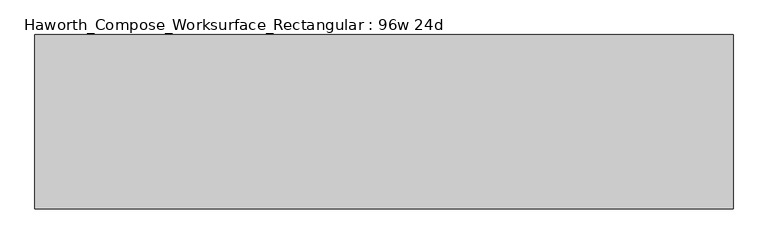
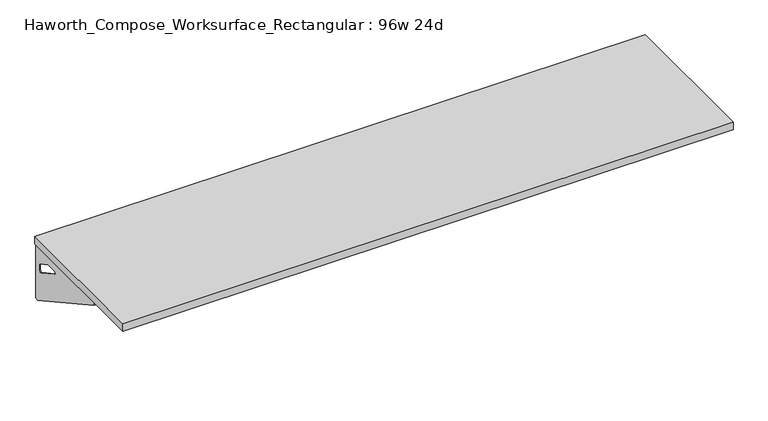
"""IFC4 building model written with IfcOpenShell, lengths in millimetres: furniture geometry, Haworth_Compose_Worksurface_Rectangular : 96w 24d."""

from ifc_helpers import new_model, si_unit, frame, origin, place, context, project, spatial, polyline, circle_curve, outline, extrude, source, transform, mapped, element, save
from ifc_brep_helpers import plane_surface, revolved_surface, advanced_brep


def haworth_compose_worksurface_rectangular_96w_24d_0e10a850(model_context):
    return source(origin(), model_context, "Body", "SolidModel", [
        advanced_brep(
        [(1213.64375, 304.8, 475.45625), (1213.64375, 288.925, 475.45625), (1213.64375, -101.6, 691.7192568), (1213.64375, -101.6, 704.05625), (1213.64375, 288.925, 704.05625), (1213.64375, 304.8, 704.05625), (1213.64375, 221.490072, 665.95625), (1213.64375, 177.8355284, 665.95625), (1213.64375, 175.1564235, 656.3705539), (1213.64375, 266.8776173, 605.5776439), (1213.64375, 276.225, 611.1756969), (1213.64375, 276.225, 634.6860246), (1213.64375, 274.4730055, 637.5242776), (1213.64375, 224.5663437, 665.1613425), (1216.025, 304.8, 475.45625), (1216.025, 304.8, 704.05625), (1216.025, 288.925, 704.05625), (1216.025, 288.925, 706.4375), (1216.025, -101.6, 706.4375), (1216.025, -101.6, 691.7192568), (1216.025, 288.925, 475.45625), (1216.025, 221.490072, 665.95625), (1216.025, 224.5663437, 665.1613425), (1216.025, 274.4730055, 637.5242776), (1216.025, 276.225, 634.6860246), (1216.025, 276.225, 611.1756969), (1216.025, 266.8776173, 605.5776439), (1216.025, 175.1564235, 656.3705539), (1216.025, 177.8355284, 665.95625), (1174.75, -101.6, 706.4375), (1174.75, -101.6, 704.05625), (1174.75, 288.925, 704.05625), (1174.75, 288.925, 706.4375)],
        [
            (0, 1),
            (1, 2),
            (2, 3),
            (3, 4),
            (4, 5),
            (5, 0),
            (6, 7),
            (7, 8, circle_curve(frame((1213.64375, 177.8355284, 660.7890106), z_axis=(1.0, 0.0, 0.0), x_axis=(0.0, -1.0, 0.0)), 5.1672394)),
            (8, 9),
            (9, 10, circle_curve(frame((1213.64375, 269.875, 611.1756969), z_axis=(1.0, 0.0, 0.0), x_axis=(0.0, -1.0, 0.0)), 6.35)),
            (10, 11),
            (11, 12, circle_curve(frame((1213.64375, 273.05, 634.6860246), z_axis=(1.0, 0.0, 0.0), x_axis=(0.0, -1.0, 0.0)), 3.175)),
            (12, 13),
            (13, 6, circle_curve(frame((1213.64375, 221.490072, 659.60625), z_axis=(1.0, 0.0, 0.0), x_axis=(0.0, -1.0, 0.0)), 6.35)),
            (14, 15),
            (15, 16),
            (16, 17),
            (17, 18),
            (18, 19),
            (19, 20),
            (20, 14),
            (21, 22, circle_curve(frame((1216.025, 221.490072, 659.60625), z_axis=(-1.0, 0.0, 0.0), x_axis=(0.0, -1.0, 0.0)), 6.35)),
            (22, 23),
            (23, 24, circle_curve(frame((1216.025, 273.05, 634.6860246), z_axis=(-1.0, 0.0, 0.0), x_axis=(0.0, -1.0, 0.0)), 3.175)),
            (24, 25),
            (25, 26, circle_curve(frame((1216.025, 269.875, 611.1756969), z_axis=(-1.0, 0.0, 0.0), x_axis=(0.0, -1.0, 0.0)), 6.35)),
            (26, 27),
            (27, 28, circle_curve(frame((1216.025, 177.8355284, 660.7890106), z_axis=(-1.0, 0.0, 0.0), x_axis=(0.0, -1.0, 0.0)), 5.1672394)),
            (28, 21),
            (4, 16),
            (15, 5),
            (14, 0),
            (20, 1),
            (19, 2),
            (18, 29),
            (29, 30),
            (30, 3),
            (6, 21),
            (28, 7),
            (9, 26),
            (25, 10),
            (24, 11),
            (23, 12),
            (27, 8),
            (31, 4),
            (30, 31),
            (32, 29),
            (17, 32),
            (31, 32),
            (22, 13),
        ],
        [
            plane_surface(frame((1213.64375, 304.8, 475.45625), z_axis=(-1.0, 0.0, 0.0), x_axis=(0.0, 1.0, 0.0))),
            plane_surface(frame((1216.025, 304.8, 475.45625), z_axis=(1.0, 0.0, 0.0), x_axis=(0.0, -1.0, 0.0))),
            plane_surface(frame((1216.025, -101.6, 704.05625), z_axis=(0.0, 0.0, 1.0), x_axis=(-1.0, 0.0, 0.0))),
            plane_surface(frame((1216.025, 304.8, 704.05625), z_axis=(0.0, 1.0, 0.0), x_axis=(-1.0, 0.0, 0.0))),
            plane_surface(frame((1216.025, 304.8, 475.45625), z_axis=(0.0, 0.0, -1.0), x_axis=(-1.0, 0.0, 0.0))),
            plane_surface(frame((1216.025, 288.925, 475.45625), z_axis=(0.0, -0.48445223513455843, -0.8748177135112952), x_axis=(-1.0, 0.0, 0.0))),
            plane_surface(frame((1216.025, -101.6, 691.7192568), z_axis=(0.0, -1.0, 0.0), x_axis=(-1.0, 0.0, 0.0))),
            plane_surface(frame((1216.025, 221.490072, 665.95625), z_axis=(0.0, 0.0, -1.0), x_axis=(-1.0, 0.0, 0.0))),
            revolved_surface(polyline([(1213.64375, 263.525, 611.1756969), (1216.025, 263.525, 611.1756969)]), (1216.025, 269.875, 611.1756969), (-1.0, 0.0, 0.0)),
            plane_surface(frame((1216.025, 276.225, 611.1756969), z_axis=(0.0, -1.0, 0.0), x_axis=(-1.0, 0.0, 0.0))),
            revolved_surface(polyline([(1213.64375, 269.875, 634.6860246), (1216.025, 269.875, 634.6860246)]), (1216.025, 273.05, 634.6860246), (-1.0, 0.0, 0.0)),
            revolved_surface(polyline([(1213.64375, 172.668289, 660.7890106), (1216.025, 172.668289, 660.7890106)]), (1216.025, 177.8355284, 660.7890106), (-1.0, 0.0, 0.0)),
            plane_surface(frame((1216.025, 288.925, 704.05625), z_axis=(0.0, 0.0, -1.0), x_axis=(-1.0, 0.0, 0.0))),
            plane_surface(frame((1216.025, 288.925, 706.4375), z_axis=(0.0, 0.0, 1.0), x_axis=(1.0, 0.0, 0.0))),
            plane_surface(frame((1174.75, 288.925, 706.4375), z_axis=(0.0, 1.0, 0.0), x_axis=(0.0, 0.0, -1.0))),
            plane_surface(frame((1174.75, -101.6, 706.4375), z_axis=(-1.0, 0.0, 0.0), x_axis=(0.0, 0.0, -1.0))),
            plane_surface(frame((1216.025, 175.1564235, 656.3705539), z_axis=(0.0, 0.4844522351345583, 0.8748177135112953), x_axis=(-1.0, 0.0, 0.0))),
            plane_surface(frame((1216.025, 274.4730055, 637.5242776), z_axis=(0.0, -0.4844522351345582, -0.8748177135112953), x_axis=(-1.0, 0.0, 0.0))),
            revolved_surface(polyline([(1213.64375, 215.140072, 659.60625), (1216.025, 215.140072, 659.60625)]), (1216.025, 221.490072, 659.60625), (-1.0, 0.0, 0.0)),
        ],
        [
            (0, [[1, 2, 3, 4, 5, 6], [7, 8, 9, 10, 11, 12, 13, 14]]),
            (1, [[15, 16, 17, 18, 19, 20, 21], [22, 23, 24, 25, 26, 27, 28, 29]]),
            (2, [[-5, 30, -16, 31]]),
            (3, [[-31, -15, 32, -6]]),
            (4, [[-32, -21, 33, -1]]),
            (5, [[-33, -20, 34, -2]]),
            (6, [[-34, -19, 35, 36, 37, -3]]),
            (7, [[38, -29, 39, -7]]),
            (8, [[40, -26, 41, -10]]),
            (9, [[-41, -25, 42, -11]]),
            (10, [[-42, -24, 43, -12]]),
            (11, [[-39, -28, 44, -8]]),
            (12, [[45, -4, -37, 46]]),
            (13, [[47, -35, -18, 48]]),
            (14, [[-17, -30, -45, 49, -48]]),
            (15, [[-36, -47, -49, -46]]),
            (16, [[-44, -27, -40, -9]]),
            (17, [[-43, -23, 50, -13]]),
            (18, [[-50, -22, -38, -14]]),
        ],
    ),
        advanced_brep(
        [(-1213.64375, 304.8, 475.45625), (-1213.64375, 304.8, 704.05625), (-1213.64375, 288.925, 704.05625), (-1213.64375, -101.6, 704.05625), (-1213.64375, -101.6, 691.7192568), (-1213.64375, 288.925, 475.45625), (-1213.64375, 221.490072, 665.95625), (-1213.64375, 224.5663437, 665.1613425), (-1213.64375, 274.4730055, 637.5242776), (-1213.64375, 276.225, 634.6860246), (-1213.64375, 276.225, 611.1756969), (-1213.64375, 266.8776173, 605.5776439), (-1213.64375, 175.1564235, 656.3705539), (-1213.64375, 177.8355284, 665.95625), (-1216.025, 304.8, 475.45625), (-1216.025, 288.925, 475.45625), (-1216.025, -101.6, 691.7192568), (-1216.025, -101.6, 706.4375), (-1216.025, 288.925, 706.4375), (-1216.025, 288.925, 704.05625), (-1216.025, 304.8, 704.05625), (-1216.025, 221.490072, 665.95625), (-1216.025, 177.8355284, 665.95625), (-1216.025, 175.1564235, 656.3705539), (-1216.025, 266.8776173, 605.5776439), (-1216.025, 276.225, 611.1756969), (-1216.025, 276.225, 634.6860246), (-1216.025, 274.4730055, 637.5242776), (-1216.025, 224.5663437, 665.1613425), (-1174.75, -101.6, 704.05625), (-1174.75, -101.6, 706.4375), (-1174.75, 288.925, 704.05625), (-1174.75, 288.925, 706.4375)],
        [
            (0, 1),
            (1, 2),
            (2, 3),
            (3, 4),
            (4, 5),
            (5, 0),
            (6, 7, circle_curve(frame((-1213.64375, 221.490072, 659.60625), z_axis=(-1.0, 0.0, 0.0), x_axis=(0.0, -1.0, 0.0)), 6.35)),
            (7, 8),
            (8, 9, circle_curve(frame((-1213.64375, 273.05, 634.6860246), z_axis=(-1.0, 0.0, 0.0), x_axis=(0.0, -1.0, 0.0)), 3.175)),
            (9, 10),
            (10, 11, circle_curve(frame((-1213.64375, 269.875, 611.1756969), z_axis=(-1.0, 0.0, 0.0), x_axis=(0.0, -1.0, 0.0)), 6.35)),
            (11, 12),
            (12, 13, circle_curve(frame((-1213.64375, 177.8355284, 660.7890106), z_axis=(-1.0, 0.0, 0.0), x_axis=(0.0, -1.0, 0.0)), 5.1672394)),
            (13, 6),
            (14, 15),
            (15, 16),
            (16, 17),
            (17, 18),
            (18, 19),
            (19, 20),
            (20, 14),
            (21, 22),
            (22, 23, circle_curve(frame((-1216.025, 177.8355284, 660.7890106), z_axis=(1.0, 0.0, 0.0), x_axis=(0.0, -1.0, 0.0)), 5.1672394)),
            (23, 24),
            (24, 25, circle_curve(frame((-1216.025, 269.875, 611.1756969), z_axis=(1.0, 0.0, 0.0), x_axis=(0.0, -1.0, 0.0)), 6.35)),
            (25, 26),
            (26, 27, circle_curve(frame((-1216.025, 273.05, 634.6860246), z_axis=(1.0, 0.0, 0.0), x_axis=(0.0, -1.0, 0.0)), 3.175)),
            (27, 28),
            (28, 21, circle_curve(frame((-1216.025, 221.490072, 659.60625), z_axis=(1.0, 0.0, 0.0), x_axis=(0.0, -1.0, 0.0)), 6.35)),
            (1, 20),
            (19, 2),
            (0, 14),
            (5, 15),
            (4, 16),
            (3, 29),
            (29, 30),
            (30, 17),
            (13, 22),
            (21, 6),
            (10, 25),
            (24, 11),
            (9, 26),
            (8, 27),
            (12, 23),
            (31, 29),
            (2, 31),
            (32, 18),
            (30, 32),
            (32, 31),
            (7, 28),
        ],
        [
            plane_surface(frame((-1213.64375, 304.8, 475.45625), z_axis=(1.0, 0.0, 0.0), x_axis=(0.0, 1.0, 0.0))),
            plane_surface(frame((-1216.025, 304.8, 475.45625), z_axis=(-1.0, 0.0, 0.0), x_axis=(0.0, -1.0, 0.0))),
            plane_surface(frame((-1216.025, -101.6, 704.05625), z_axis=(0.0, 0.0, 1.0), x_axis=(1.0, 0.0, 0.0))),
            plane_surface(frame((-1216.025, 304.8, 704.05625), z_axis=(0.0, 1.0, 0.0), x_axis=(1.0, 0.0, 0.0))),
            plane_surface(frame((-1216.025, 304.8, 475.45625), z_axis=(0.0, 0.0, -1.0), x_axis=(1.0, 0.0, 0.0))),
            plane_surface(frame((-1216.025, 288.925, 475.45625), z_axis=(0.0, -0.48445223513455843, -0.8748177135112952), x_axis=(1.0, 0.0, 0.0))),
            plane_surface(frame((-1216.025, -101.6, 691.7192568), z_axis=(0.0, -1.0, 0.0), x_axis=(1.0, 0.0, 0.0))),
            plane_surface(frame((-1216.025, 221.490072, 665.95625), z_axis=(0.0, 0.0, -1.0), x_axis=(1.0, 0.0, 0.0))),
            revolved_surface(polyline([(-1213.64375, 263.525, 611.1756969), (-1216.025, 263.525, 611.1756969)]), (-1216.025, 269.875, 611.1756969), (1.0, 0.0, 0.0)),
            plane_surface(frame((-1216.025, 276.225, 611.1756969), z_axis=(0.0, -1.0, 0.0), x_axis=(1.0, 0.0, 0.0))),
            revolved_surface(polyline([(-1213.64375, 269.875, 634.6860246), (-1216.025, 269.875, 634.6860246)]), (-1216.025, 273.05, 634.6860246), (1.0, 0.0, 0.0)),
            revolved_surface(polyline([(-1213.64375, 172.668289, 660.7890106), (-1216.025, 172.668289, 660.7890106)]), (-1216.025, 177.8355284, 660.7890106), (1.0, 0.0, 0.0)),
            plane_surface(frame((-1216.025, 288.925, 704.05625), z_axis=(0.0, 0.0, -1.0), x_axis=(1.0, 0.0, 0.0))),
            plane_surface(frame((-1216.025, 288.925, 706.4375), z_axis=(0.0, 0.0, 1.0), x_axis=(-1.0, 0.0, 0.0))),
            plane_surface(frame((-1174.75, 288.925, 706.4375), z_axis=(0.0, 1.0, 0.0), x_axis=(0.0, 0.0, -1.0))),
            plane_surface(frame((-1174.75, -101.6, 706.4375), z_axis=(1.0, 0.0, 0.0), x_axis=(0.0, 0.0, -1.0))),
            plane_surface(frame((-1216.025, 175.1564235, 656.3705539), z_axis=(0.0, 0.4844522351345583, 0.8748177135112953), x_axis=(1.0, 0.0, 0.0))),
            plane_surface(frame((-1216.025, 274.4730055, 637.5242776), z_axis=(0.0, -0.4844522351345582, -0.8748177135112953), x_axis=(1.0, 0.0, 0.0))),
            revolved_surface(polyline([(-1213.64375, 215.140072, 659.60625), (-1216.025, 215.140072, 659.60625)]), (-1216.025, 221.490072, 659.60625), (1.0, 0.0, 0.0)),
        ],
        [
            (0, [[1, 2, 3, 4, 5, 6], [7, 8, 9, 10, 11, 12, 13, 14]]),
            (1, [[15, 16, 17, 18, 19, 20, 21], [22, 23, 24, 25, 26, 27, 28, 29]]),
            (2, [[30, -20, 31, -2]]),
            (3, [[-1, 32, -21, -30]]),
            (4, [[-6, 33, -15, -32]]),
            (5, [[-5, 34, -16, -33]]),
            (6, [[-4, 35, 36, 37, -17, -34]]),
            (7, [[-14, 38, -22, 39]]),
            (8, [[-11, 40, -25, 41]]),
            (9, [[-10, 42, -26, -40]]),
            (10, [[-9, 43, -27, -42]]),
            (11, [[-13, 44, -23, -38]]),
            (12, [[45, -35, -3, 46]]),
            (13, [[47, -18, -37, 48]]),
            (14, [[-47, 49, -46, -31, -19]]),
            (15, [[-45, -49, -48, -36]]),
            (16, [[-12, -41, -24, -44]]),
            (17, [[-8, 50, -28, -43]]),
            (18, [[-7, -39, -29, -50]]),
        ],
    ),
        extrude(outline(polyline([(1219.2, 304.8), (1219.2, -304.8), (-1219.2, -304.8), (-1219.2, 304.8), (1219.2, 304.8)])), frame((0.0, 0.0, 706.4375), z_axis=(0.0, 0.0, 1.0), x_axis=(1.0, 0.0, 0.0)), (0.0, 0.0, 1.0), 30.1625),
    ])


if __name__ == "__main__":
    model = new_model("IFC4")
    model_context = context("Model", 3, world=origin())
    ifc_project = project(units=[si_unit("LENGTHUNIT", "METRE", prefix="MILLI")], contexts=[model_context])
    site = spatial("IfcSite", under=ifc_project)
    building = spatial("IfcBuilding", under=site)
    placement = place(None, origin())
    haworth_compose_worksurface_rectangular_96w_24d_shape = haworth_compose_worksurface_rectangular_96w_24d_0e10a850(model_context)
    element("IfcFurniture", 1, ObjectType="Haworth_Compose_Worksurface_Rectangular : 96w 24d", at=placement, inside=building, context=model_context, shape_type="MappedRepresentation", body=[
        mapped(haworth_compose_worksurface_rectangular_96w_24d_shape, transform((0.0, 0.0, 0.0), x_axis=(1.0, 0.0, 0.0), y_axis=(0.0, 1.0, 0.0), z_axis=(0.0, 0.0, 1.0))),
    ])
    save(model, "model.ifc")
